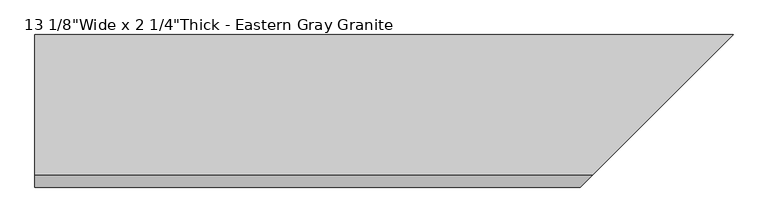
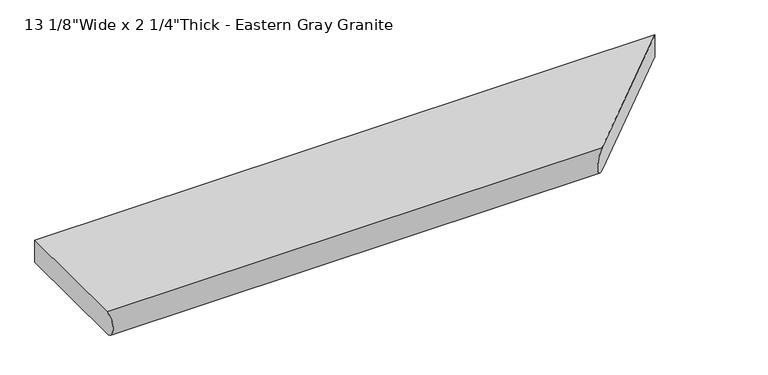
"""IFC4 building model written with IfcOpenShell, lengths in millimetres: proxy geometry."""

from ifc_helpers import new_model, si_unit, frame, origin, place, context, project, spatial, circle_curve, ellipse_curve, source, transform, mapped, element, save
from ifc_brep_helpers import plane_surface, cylinder_surface, advanced_brep


def proxy_632316ac(model_context):
    return source(origin(), model_context, "Body", "AdvancedBrep", [
        advanced_brep(
        [(0.0, -307.18125, 0.0), (0.0, -307.18125, 57.15), (0.0, 0.0, 57.15), (0.0, 0.0, 0.0), (1216.81875, -307.18125, 0.0), (1216.81875, -307.18125, 57.15), (1524.0, 0.0, 57.15), (1524.0, 0.0, 0.0)],
        [
            (0, 1, circle_curve(frame((0.0, -304.6812614, 28.575), z_axis=(-1.0, 0.0, 0.0), x_axis=(0.0, -1.0, 0.0)), 28.6841519)),
            (1, 2),
            (2, 3),
            (3, 0),
            (0, 4),
            (4, 5, ellipse_curve(frame((1219.3187386, -304.6812614, 28.575), z_axis=(-0.7071067811865295, 0.7071067811865656, 0.0), x_axis=(-0.7071067811865656, -0.7071067811865294, 0.0)), 40.5655166, 28.6841519)),
            (5, 1),
            (5, 6),
            (6, 2),
            (6, 7),
            (7, 3),
            (7, 4),
        ],
        [
            plane_surface(frame((0.0, -333.3654133, 28.575), z_axis=(-1.0, 0.0, 0.0), x_axis=(0.0, 0.0, 1.0))),
            cylinder_surface(frame((1524.0, -304.6812614, 28.575), z_axis=(-1.0, 0.0, 0.0), x_axis=(0.0, -1.0, 0.0)), 28.6841519),
            plane_surface(frame((0.0, -307.18125, 57.15), z_axis=(0.0, 0.0, 1.0), x_axis=(1.0, 0.0, 0.0))),
            plane_surface(frame((0.0, 0.0, 57.15), z_axis=(0.0, 1.0, 0.0), x_axis=(1.0, 0.0, 0.0))),
            plane_surface(frame((0.0, 0.0, 0.0), z_axis=(0.0, 0.0, -1.0), x_axis=(1.0, 0.0, 0.0))),
            plane_surface(frame((1524.0, 0.0, 76.2), z_axis=(0.7071067811865295, -0.7071067811865656, 0.0), x_axis=(0.0, 0.0, -1.0))),
        ],
        [
            (0, [[1, 2, 3, 4]]),
            (1, [[-1, 5, 6, 7]]),
            (2, [[-2, -7, 8, 9]]),
            (3, [[-3, -9, 10, 11]]),
            (4, [[-4, -11, 12, -5]]),
            (5, [[-6, -12, -10, -8]]),
        ],
    ),
    ])


if __name__ == "__main__":
    model = new_model("IFC4")
    model_context = context("Model", 3, world=origin())
    ifc_project = project(units=[si_unit("LENGTHUNIT", "METRE", prefix="MILLI")], contexts=[model_context])
    site = spatial("IfcSite", under=ifc_project)
    building = spatial("IfcBuilding", under=site)
    placement = place(None, origin())
    proxy_shape = proxy_632316ac(model_context)
    element("IfcBuildingElementProxy", 1, Name="13 1/8\"Wide x 2 1/4\"Thick - Eastern Gray Granite", ObjectType="13 1/8\"Wide x 2 1/4\"Thick - Eastern Gray Granite", at=placement, inside=building, context=model_context, shape_type="MappedRepresentation", body=[
        mapped(proxy_shape, transform((0.0, 0.0, 0.0), x_axis=(1.0, 0.0, 0.0), y_axis=(0.0, 1.0, 0.0), z_axis=(0.0, 0.0, 1.0))),
    ])
    save(model, "model.ifc")
